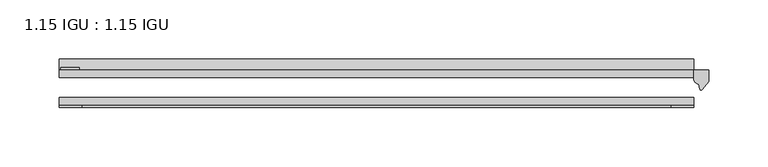
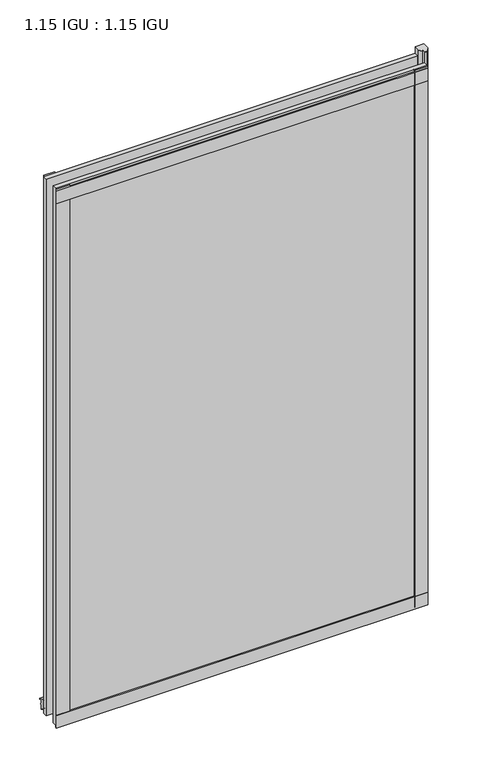
"""IFC4 building model written with IfcOpenShell, lengths in millimetres: plate geometry, 1.15 IGU : 1.15 IGU."""

from ifc_helpers import new_model, si_unit, point, frame, frame_2d, origin, place, context, project, spatial, polyline, circle_curve, trimmed, segment, composite_curve, outline, extrude, source, transform, mapped, element, save


def plate_1_15_igu_1_15_igu_a3625522(model_context):
    return source(origin(), model_context, "Body", "SweptSolid", [
        extrude(outline(polyline([(268.351, 0.0), (268.351, -6.2992), (-268.351, -6.2992), (-268.351, 0.0), (268.351, 0.0)])), frame((0.0, 0.0, -15.875), z_axis=(0.0, 0.0, 1.0), x_axis=(1.0, 0.0, 0.0)), (0.0, 0.0, 1.0), 819.1500001),
        extrude(outline(polyline([(-268.351, -23.1648), (268.351, -23.1648), (268.351, -29.464), (-268.351, -29.464), (-268.351, -23.1648)])), frame((0.0, 0.0, -15.875), z_axis=(0.0, 0.0, 1.0), x_axis=(1.0, 0.0, 0.0)), (0.0, 0.0, 1.0), 819.1500001),
        extrude(outline(composite_curve([segment(polyline([(281.051, 0.0), (281.051, -9.7395025), (275.4847691, -16.3730781)]), True, "CONTINUOUS"), segment(trimmed(circle_curve(frame_2d((274.5310941, -15.7728374)), 1.1268473), [point((275.4847691, -16.3730781))], [point((273.4301412, -16.0130197))], False, "CARTESIAN"), True, "CONTINUOUS"), segment(polyline([(273.4301412, -16.0130197), (272.4499498, -11.7377885)]), True, "CONTINUOUS"), segment(trimmed(circle_curve(frame_2d((272.3224979, -7.7683362)), 3.9714979), [point((272.4499498, -11.7377885))], [point((268.3511786, -7.8060014))], False, "CARTESIAN"), True, "CONTINUOUS"), segment(polyline([(268.3511786, -7.8060014), (268.3511786, 0.0), (281.051, 0.0)]), True, "CONTINUOUS")], self_intersect=False)), frame((0.0, 0.0, -15.875), z_axis=(0.0, 0.0, 1.0), x_axis=(1.0, 0.0, 0.0)), (0.0, 0.0, 1.0), 829.4624001),
        extrude(outline(polyline([(-268.351, -31.75), (-268.351, -29.464), (268.351, -29.464), (268.351, -31.75), (-268.351, -31.75)])), frame((0.0, 0.0, -19.05), z_axis=(0.0, 0.0, 1.0), x_axis=(1.0, 0.0, 0.0)), (0.0, 0.0, 1.0), 19.05),
        extrude(outline(composite_curve([segment(trimmed(circle_curve(frame_2d((13.6593785, 32.4202472)), 31.3046461), [point((0.0, 4.2528503))], [point((9.3980339, 1.406995))], True, "CARTESIAN"), True, "CONTINUOUS"), segment(polyline([(9.3980339, 1.406995), (9.3980339, 0.0254), (6.35, 0.0254), (6.35, -5.1625788), (7.7309478, -5.3970663), (6.35, -8.0073788), (6.35, -11.8471127)]), True, "CONTINUOUS"), segment(trimmed(circle_curve(frame_2d((5.334, -11.8471127)), 1.016), [point((6.35, -11.8471127))], [point((4.6284878, -12.5782136))], False, "CARTESIAN"), True, "CONTINUOUS"), segment(trimmed(circle_curve(frame_2d((-23.3689302, -41.5910901)), 40.3187601), [point((4.6284878, -12.5782136))], [point((0.0, -8.735413))], True, "CARTESIAN"), True, "CONTINUOUS"), segment(polyline([(0.0, -8.735413), (0.0, 4.2528503)]), True, "CONTINUOUS")], self_intersect=False)), frame((-268.351, 0.0, 0.0), z_axis=(1.0, 0.0, 0.0), x_axis=(0.0, 1.0, 0.0)), (0.0, 0.0, 1.0), 536.702),
        extrude(outline(polyline([(-268.351, -31.75), (-268.351, -29.464), (268.351, -29.464), (268.351, -31.75), (-268.351, -31.75)])), frame((0.0, 0.0, 781.0500001), z_axis=(0.0, 0.0, 1.0), x_axis=(1.0, 0.0, 0.0)), (0.0, 0.0, 1.0), 19.05),
        extrude(outline(polyline([(249.301, -29.464), (268.351, -29.464), (268.351, -31.75), (249.301, -31.75), (249.301, -29.464)])), frame((0.0, 0.0, -15.875), z_axis=(0.0, 0.0, 1.0), x_axis=(1.0, 0.0, 0.0)), (0.0, 0.0, 1.0), 819.1500001),
        extrude(outline(polyline([(-268.351, -31.75), (-268.351, -29.464), (-249.301, -29.464), (-249.301, -31.75), (-268.351, -31.75)])), frame((0.0, 0.0, -15.875), z_axis=(0.0, 0.0, 1.0), x_axis=(1.0, 0.0, 0.0)), (0.0, 0.0, 1.0), 819.1500001),
        extrude(outline(polyline([(-267.1445, 0.0), (-267.1445, 2.286), (-251.2695, 2.286), (-251.2695, 0.0), (-267.1445, 0.0)])), frame((0.0, 0.0, -15.875), z_axis=(0.0, 0.0, 1.0), x_axis=(1.0, 0.0, 0.0)), (0.0, 0.0, 1.0), 819.1500001),
    ])


if __name__ == "__main__":
    model = new_model("IFC4")
    model_context = context("Model", 3, world=origin())
    ifc_project = project(units=[si_unit("LENGTHUNIT", "METRE", prefix="MILLI")], contexts=[model_context])
    site = spatial("IfcSite", under=ifc_project)
    building = spatial("IfcBuilding", under=site)
    placement = place(None, origin())
    plate_1_15_igu_1_15_igu_shape = plate_1_15_igu_1_15_igu_a3625522(model_context)
    element("IfcPlate", 1, ObjectType="1.15 IGU : 1.15 IGU", at=placement, inside=building, context=model_context, shape_type="MappedRepresentation", body=[
        mapped(plate_1_15_igu_1_15_igu_shape, transform((0.0, 0.0, 0.0), x_axis=(1.0, 0.0, 0.0), y_axis=(0.0, 1.0, 0.0), z_axis=(0.0, 0.0, 1.0))),
    ])
    save(model, "model.ifc")
